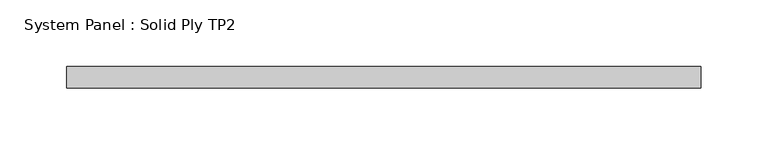
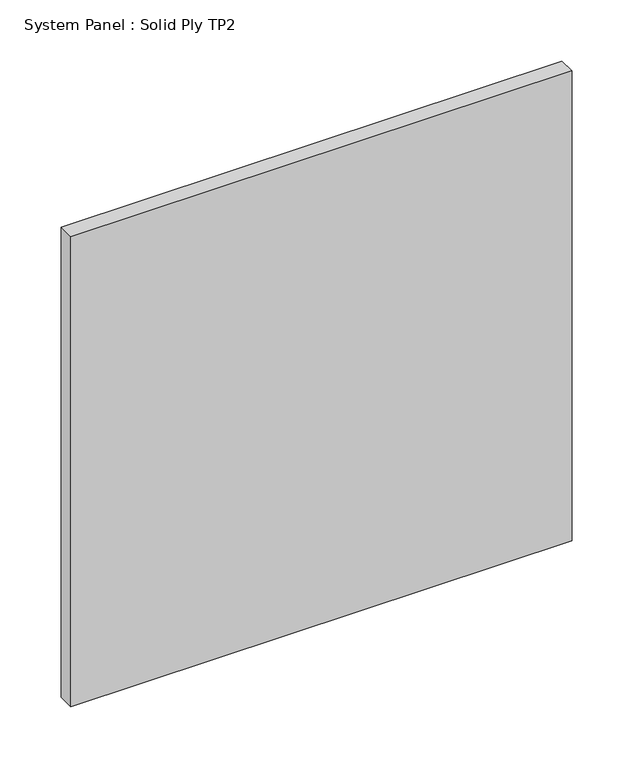
"""IFC4 building model written with IfcOpenShell, lengths in millimetres: plate geometry, System Panel : Solid Ply TP2."""

from ifc_helpers import new_model, si_unit, origin, origin_with_axes, place, context, project, spatial, polyline, outline, extrude, source, transform, mapped, element, save


def system_panel_solid_ply_tp2_c6e2e66b(model_context):
    return source(origin(), model_context, "Body", "SweptSolid", [
        extrude(outline(polyline([(237.0, -23.0), (-237.0, -23.0), (-237.0, -7.0), (237.0, -7.0), (237.0, -23.0)])), origin_with_axes(), (0.0, 0.0, 1.0), 470.0),
    ])


if __name__ == "__main__":
    model = new_model("IFC4")
    model_context = context("Model", 3, world=origin())
    ifc_project = project(units=[si_unit("LENGTHUNIT", "METRE", prefix="MILLI")], contexts=[model_context])
    site = spatial("IfcSite", under=ifc_project)
    building = spatial("IfcBuilding", under=site)
    placement = place(None, origin())
    system_panel_solid_ply_tp2_shape = system_panel_solid_ply_tp2_c6e2e66b(model_context)
    element("IfcPlate", 1, ObjectType="System Panel : Solid Ply TP2", at=placement, inside=building, context=model_context, shape_type="MappedRepresentation", body=[
        mapped(system_panel_solid_ply_tp2_shape, transform((0.0, 0.0, 0.0), x_axis=(1.0, 0.0, 0.0), y_axis=(0.0, 1.0, 0.0), z_axis=(0.0, 0.0, 1.0))),
    ])
    save(model, "model.ifc")
